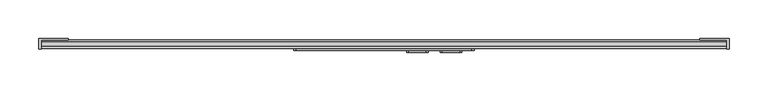
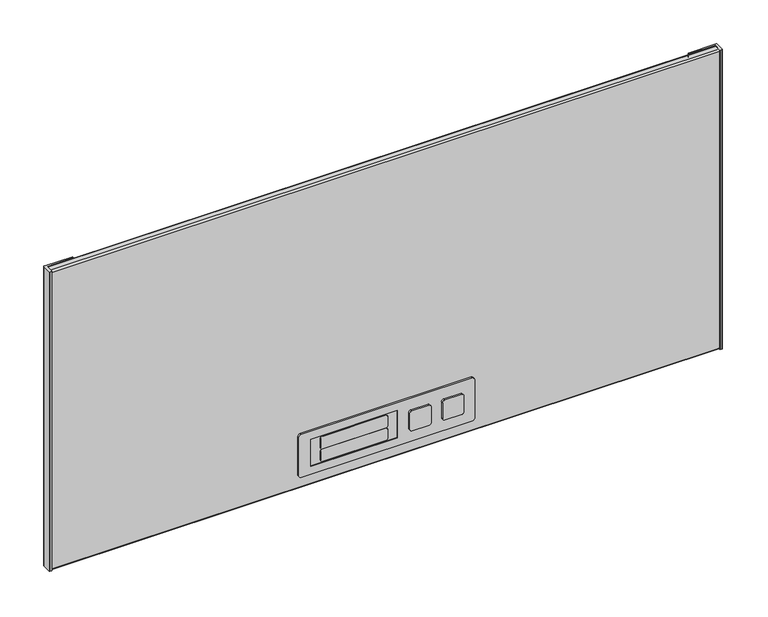
"""IFC4 building model written with IfcOpenShell, lengths in millimetres: furniture geometry."""

from ifc_helpers import new_model, si_unit, point, frame, frame_2d, origin, origin_with_axes, place, context, project, spatial, polyline, circle_curve, trimmed, segment, composite_curve, outline, extrude, source, transform, mapped, element, save


def furniture_05c59472(model_context):
    return source(origin(), model_context, "Body", "SweptSolid", [
        extrude(outline(polyline([(356.8700048, -32.2480316), (471.1700048, -32.2480316), (471.1700048, -33.5180324), (356.8700048, -33.5180324), (356.8700048, -32.2480316)])), frame((0.0, 0.0, 27.3778302), z_axis=(0.0, 0.0, 1.0), x_axis=(1.0, 0.0, 0.0)), (0.0, 0.0, 1.0), 38.1),
        extrude(outline(composite_curve([segment(polyline([(60.3978305, 511.276775), (60.3978305, 489.0293031)]), True, "CONTINUOUS"), segment(trimmed(circle_curve(frame_2d((57.7785177, 489.0293031)), 2.6193128), [point((60.3978305, 489.0293031))], [point((57.7785177, 486.4099903))], False, "CARTESIAN"), True, "CONTINUOUS"), segment(polyline([(57.7785177, 486.4099903), (35.0516527, 486.4099903)]), True, "CONTINUOUS"), segment(trimmed(circle_curve(frame_2d((35.0516527, 489.0038131)), 2.5938228), [point((35.0516527, 486.4099903))], [point((32.4578299, 489.0038131))], False, "CARTESIAN"), True, "CONTINUOUS"), segment(polyline([(32.4578299, 489.0038131), (32.4578299, 511.4556332)]), True, "CONTINUOUS"), segment(trimmed(circle_curve(frame_2d((35.3521966, 511.4556332)), 2.8943668), [point((32.4578299, 511.4556332))], [point((35.3521966, 514.35))], False, "CARTESIAN"), True, "CONTINUOUS"), segment(polyline([(35.3521966, 514.35), (57.3246055, 514.35)]), True, "CONTINUOUS"), segment(trimmed(circle_curve(frame_2d((57.3246055, 511.276775)), 3.073225), [point((57.3246055, 514.35))], [point((60.3978305, 511.276775))], False, "CARTESIAN"), True, "CONTINUOUS")], self_intersect=False)), frame((0.0, -37.3280324, 0.0), z_axis=(0.0, 1.0, 0.0), x_axis=(0.0, 0.0, 1.0)), (0.0, 0.0, 1.0), 2.54),
        extrude(outline(composite_curve([segment(polyline([(60.3978305, 554.8759065), (60.3978305, 532.4006592)]), True, "CONTINUOUS"), segment(trimmed(circle_curve(frame_2d((57.5871567, 532.4006592)), 2.8106737), [point((60.3978305, 532.4006592))], [point((57.5871567, 529.5899855))], False, "CARTESIAN"), True, "CONTINUOUS"), segment(polyline([(57.5871567, 529.5899855), (35.5037668, 529.5899855)]), True, "CONTINUOUS"), segment(trimmed(circle_curve(frame_2d((35.5037668, 532.6359224)), 3.045937), [point((35.5037668, 529.5899855))], [point((32.4578299, 532.6359224))], False, "CARTESIAN"), True, "CONTINUOUS"), segment(polyline([(32.4578299, 532.6359224), (32.4578299, 554.8531015)]), True, "CONTINUOUS"), segment(trimmed(circle_curve(frame_2d((35.1347235, 554.8531015)), 2.6768937), [point((32.4578299, 554.8531015))], [point((35.1347235, 557.5299952))], False, "CARTESIAN"), True, "CONTINUOUS"), segment(polyline([(35.1347235, 557.5299952), (57.7437418, 557.5299952)]), True, "CONTINUOUS"), segment(trimmed(circle_curve(frame_2d((57.7437418, 554.8759065)), 2.6540887), [point((57.7437418, 557.5299952))], [point((60.3978305, 554.8759065))], False, "CARTESIAN"), True, "CONTINUOUS")], self_intersect=False)), frame((0.0, -37.3280324, 0.0), z_axis=(0.0, 1.0, 0.0), x_axis=(0.0, 0.0, 1.0)), (0.0, 0.0, 1.0), 2.54),
        extrude(outline(composite_curve([segment(polyline([(64.2586322, 455.310138), (64.2586322, 372.4549481)]), True, "CONTINUOUS"), segment(trimmed(circle_curve(frame_2d((61.3736768, 372.4549481)), 2.8849554), [point((64.2586322, 372.4549481))], [point((61.3736768, 369.5699927))], False, "CARTESIAN"), True, "CONTINUOUS"), segment(polyline([(61.3736768, 369.5699927), (49.0998047, 369.5699927)]), True, "CONTINUOUS"), segment(trimmed(circle_curve(frame_2d((49.0998047, 371.9371667)), 2.3671739), [point((49.0998047, 369.5699927))], [point((46.7326308, 371.9371667))], False, "CARTESIAN"), True, "CONTINUOUS"), segment(polyline([(46.7326308, 371.9371667), (46.7326308, 455.9209305)]), True, "CONTINUOUS"), segment(trimmed(circle_curve(frame_2d((49.2817173, 455.9209305)), 2.5490865), [point((46.7326308, 455.9209305))], [point((49.2817173, 458.470017))], False, "CARTESIAN"), True, "CONTINUOUS"), segment(polyline([(49.2817173, 458.470017), (61.0987532, 458.470017)]), True, "CONTINUOUS"), segment(trimmed(circle_curve(frame_2d((61.0987532, 455.310138)), 3.159879), [point((61.0987532, 458.470017))], [point((64.2586322, 455.310138))], False, "CARTESIAN"), True, "CONTINUOUS")], self_intersect=False)), frame((0.0, -34.7880324, 0.0), z_axis=(0.0, 1.0, 0.0), x_axis=(0.0, 0.0, 1.0)), (0.0, 0.0, 1.0), 1.27),
        extrude(outline(composite_curve([segment(polyline([(46.0901351, 455.310138), (46.0901351, 372.4549481)]), True, "CONTINUOUS"), segment(trimmed(circle_curve(frame_2d((43.2051797, 372.4549481)), 2.8849554), [point((46.0901351, 372.4549481))], [point((43.2051797, 369.5699927))], False, "CARTESIAN"), True, "CONTINUOUS"), segment(polyline([(43.2051797, 369.5699927), (31.6278039, 369.5699927)]), True, "CONTINUOUS"), segment(trimmed(circle_curve(frame_2d((31.6278039, 371.9371667)), 2.3671739), [point((31.6278039, 369.5699927))], [point((29.2606299, 371.9371667))], False, "CARTESIAN"), True, "CONTINUOUS"), segment(polyline([(29.2606299, 371.9371667), (29.2606299, 455.9209305)]), True, "CONTINUOUS"), segment(trimmed(circle_curve(frame_2d((31.8097164, 455.9209305)), 2.5490865), [point((29.2606299, 455.9209305))], [point((31.8097164, 458.470017))], False, "CARTESIAN"), True, "CONTINUOUS"), segment(polyline([(31.8097164, 458.470017), (42.9302561, 458.470017)]), True, "CONTINUOUS"), segment(trimmed(circle_curve(frame_2d((42.9302561, 455.310138)), 3.159879), [point((42.9302561, 458.470017))], [point((46.0901351, 455.310138))], False, "CARTESIAN"), True, "CONTINUOUS")], self_intersect=False)), frame((0.0, -34.7880324, 0.0), z_axis=(0.0, 1.0, 0.0), x_axis=(0.0, 0.0, 1.0)), (0.0, 0.0, 1.0), 1.27),
        extrude(outline(composite_curve([segment(polyline([(76.2728335, 570.0040617), (76.2728335, 344.2118027)]), True, "CONTINUOUS"), segment(trimmed(circle_curve(frame_2d((73.0560235, 344.2118027)), 3.21681), [point((76.2728335, 344.2118027))], [point((73.0560235, 340.9949927))], False, "CARTESIAN"), True, "CONTINUOUS"), segment(polyline([(73.0560235, 340.9949927), (19.632666, 340.9949927)]), True, "CONTINUOUS"), segment(trimmed(circle_curve(frame_2d((19.632666, 344.0448285)), 3.0498358), [point((19.632666, 340.9949927))], [point((16.5828302, 344.0448285))], False, "CARTESIAN"), True, "CONTINUOUS"), segment(polyline([(16.5828302, 344.0448285), (16.5828302, 570.2813627)]), True, "CONTINUOUS"), segment(trimmed(circle_curve(frame_2d((19.7064748, 570.2813627)), 3.1236446), [point((16.5828302, 570.2813627))], [point((19.7064748, 573.4050073))], False, "CARTESIAN"), True, "CONTINUOUS"), segment(polyline([(19.7064748, 573.4050073), (72.871888, 573.4050073)]), True, "CONTINUOUS"), segment(trimmed(circle_curve(frame_2d((72.871888, 570.0040617)), 3.4009455), [point((72.871888, 573.4050073))], [point((76.2728335, 570.0040617))], False, "CARTESIAN"), True, "CONTINUOUS")], self_intersect=False), holes=[polyline([(65.4778302, 471.1700048), (27.3778302, 471.1700048), (27.3778302, 356.8700048), (65.4778302, 356.8700048), (65.4778302, 471.1700048)])]), frame((0.0, -34.7880324, 0.0), z_axis=(0.0, 1.0, 0.0), x_axis=(0.0, 0.0, 1.0)), (0.0, 0.0, 1.0), 2.5400008),
        extrude(outline(composite_curve([segment(polyline([(864.362, -21.1688864), (864.362, -20.1472124)]), True, "CONTINUOUS"), segment(trimmed(circle_curve(frame_2d((864.8597724, -20.1472124)), 0.4977724), [point((864.362, -20.1472124))], [point((864.8597724, -19.64944))], False, "CARTESIAN"), True, "CONTINUOUS"), segment(polyline([(864.8597724, -19.64944), (901.9354088, -19.64944)]), True, "CONTINUOUS"), segment(trimmed(circle_curve(frame_2d((901.9354088, -20.1760312)), 0.5265912), [point((901.9354088, -19.64944))], [point((902.462, -20.1760312))], False, "CARTESIAN"), True, "CONTINUOUS"), segment(polyline([(902.462, -20.1760312), (902.462, -32.608754)]), True, "CONTINUOUS"), segment(trimmed(circle_curve(frame_2d((901.959403, -32.608754)), 0.502597), [point((902.462, -32.608754))], [point((901.959403, -33.111351))], False, "CARTESIAN"), True, "CONTINUOUS"), segment(polyline([(901.959403, -33.111351), (899.705278, -33.111351)]), True, "CONTINUOUS"), segment(trimmed(circle_curve(frame_2d((899.705278, -32.5151924)), 0.5961586), [point((899.705278, -33.111351))], [point((899.1091194, -32.5151924))], False, "CARTESIAN"), True, "CONTINUOUS"), segment(polyline([(899.1091194, -32.5151924), (899.1091194, -21.68144), (864.8745536, -21.68144)]), True, "CONTINUOUS"), segment(trimmed(circle_curve(frame_2d((864.8745536, -21.1688864)), 0.5125536), [point((864.8745536, -21.68144))], [point((864.362, -21.1688864))], False, "CARTESIAN"), True, "CONTINUOUS")], self_intersect=False)), origin_with_axes(), (0.0, 0.0, 1.0), 419.1),
        extrude(outline(composite_curve([segment(trimmed(circle_curve(frame_2d((49.5254464, -21.1688864)), 0.5125536), [point((50.038, -21.1688864))], [point((49.5254464, -21.68144))], False, "CARTESIAN"), True, "CONTINUOUS"), segment(polyline([(49.5254464, -21.68144), (15.2908806, -21.68144), (15.2908806, -32.5151924)]), True, "CONTINUOUS"), segment(trimmed(circle_curve(frame_2d((14.694722, -32.5151924)), 0.5961586), [point((15.2908806, -32.5151924))], [point((14.694722, -33.111351))], False, "CARTESIAN"), True, "CONTINUOUS"), segment(polyline([(14.694722, -33.111351), (12.440597, -33.111351)]), True, "CONTINUOUS"), segment(trimmed(circle_curve(frame_2d((12.440597, -32.608754)), 0.502597), [point((12.440597, -33.111351))], [point((11.938, -32.608754))], False, "CARTESIAN"), True, "CONTINUOUS"), segment(polyline([(11.938, -32.608754), (11.938, -20.1760312)]), True, "CONTINUOUS"), segment(trimmed(circle_curve(frame_2d((12.4645912, -20.1760312)), 0.5265912), [point((11.938, -20.1760312))], [point((12.4645912, -19.64944))], False, "CARTESIAN"), True, "CONTINUOUS"), segment(polyline([(12.4645912, -19.64944), (49.5402276, -19.64944)]), True, "CONTINUOUS"), segment(trimmed(circle_curve(frame_2d((49.5402276, -20.1472124)), 0.4977724), [point((49.5402276, -19.64944))], [point((50.038, -20.1472124))], False, "CARTESIAN"), True, "CONTINUOUS"), segment(polyline([(50.038, -20.1472124), (50.038, -21.1688864)]), True, "CONTINUOUS")], self_intersect=False)), origin_with_axes(), (0.0, 0.0, 1.0), 419.1),
        extrude(outline(composite_curve([segment(polyline([(-30.2586719, 419.1), (-23.71344, 419.1)]), True, "CONTINUOUS"), segment(trimmed(circle_curve(frame_2d((-23.71344, 417.068)), 2.032), [point((-23.71344, 419.1))], [point((-21.68144, 417.068))], False, "CARTESIAN"), True, "CONTINUOUS"), segment(polyline([(-21.68144, 417.068), (-21.68144, 1.3367102)]), True, "CONTINUOUS"), segment(trimmed(circle_curve(frame_2d((-23.0181502, 1.3367102)), 1.3367102), [point((-21.68144, 1.3367102))], [point((-23.0181502, 0.0))], False, "CARTESIAN"), True, "CONTINUOUS"), segment(polyline([(-23.0181502, 0.0), (-30.2220767, 0.0)]), True, "CONTINUOUS"), segment(trimmed(circle_curve(frame_2d((-30.2220767, 2.0259549)), 2.0259549), [point((-30.2220767, 0.0))], [point((-32.2480316, 2.0259549))], False, "CARTESIAN"), True, "CONTINUOUS"), segment(polyline([(-32.2480316, 2.0259549), (-32.2480316, 417.1106403)]), True, "CONTINUOUS"), segment(trimmed(circle_curve(frame_2d((-30.2586719, 417.1106403)), 1.9893597), [point((-32.2480316, 417.1106403))], [point((-30.2586719, 419.1))], False, "CARTESIAN"), True, "CONTINUOUS")], self_intersect=False)), frame((15.2908806, 0.0, 0.0), z_axis=(1.0, 0.0, 0.0), x_axis=(0.0, 1.0, 0.0)), (0.0, 0.0, 1.0), 883.8182388),
    ])


if __name__ == "__main__":
    model = new_model("IFC4")
    model_context = context("Model", 3, world=origin())
    ifc_project = project(units=[si_unit("LENGTHUNIT", "METRE", prefix="MILLI")], contexts=[model_context])
    site = spatial("IfcSite", under=ifc_project)
    building = spatial("IfcBuilding", under=site)
    placement = place(None, origin())
    furniture_shape = furniture_05c59472(model_context)
    element("IfcFurniture", 1, at=placement, inside=building, context=model_context, shape_type="MappedRepresentation", body=[
        mapped(furniture_shape, transform((0.0, 0.0, 0.0), x_axis=(1.0, 0.0, 0.0), y_axis=(0.0, 1.0, 0.0), z_axis=(0.0, 0.0, 1.0))),
    ])
    save(model, "model.ifc")
